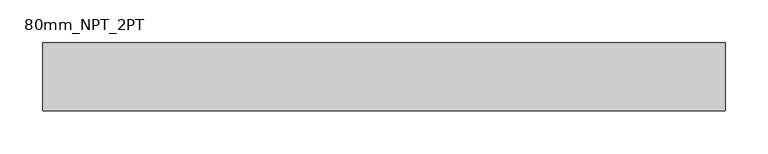
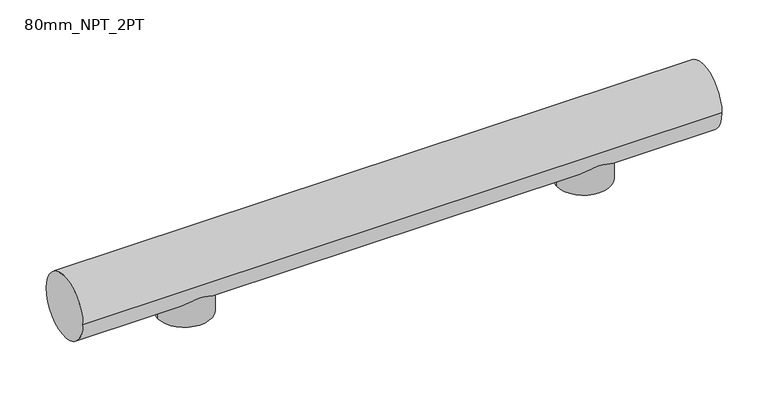
"""IFC4 building model written with IfcOpenShell, lengths in millimetres: proxy geometry, 80mm_NPT_2PT."""

from ifc_helpers import new_model, si_unit, point, frame, frame_2d, origin, place, context, project, spatial, circle_curve, trimmed, segment, composite_curve, outline, extrude, source, transform, mapped, element, save


def proxy_80mm_npt_2pt_930632a8(model_context):
    return source(origin(), model_context, "Body", "SweptSolid", [
        extrude(outline(composite_curve([segment(trimmed(circle_curve(frame_2d((250.0, 0.0)), 33.5), [point((216.5, 0.0))], [point((283.5, 0.0))], False, "CARTESIAN"), True, "CONTINUOUS"), segment(trimmed(circle_curve(frame_2d((250.0, 0.0)), 33.5), [point((283.5, 0.0))], [point((216.5, 0.0))], False, "CARTESIAN"), True, "CONTINUOUS")], self_intersect=False)), frame((0.0, 0.0, -17.10201), z_axis=(0.0, 0.0, 1.0), x_axis=(1.0, 0.0, 0.0)), (0.0, 0.0, 1.0), 67.4327816),
        extrude(outline(composite_curve([segment(trimmed(circle_curve(frame_2d((-250.0, 0.0)), 33.5), [point((-283.5, 0.0))], [point((-216.5, 0.0))], False, "CARTESIAN"), True, "CONTINUOUS"), segment(trimmed(circle_curve(frame_2d((-250.0, 0.0)), 33.5), [point((-216.5, 0.0))], [point((-283.5, 0.0))], False, "CARTESIAN"), True, "CONTINUOUS")], self_intersect=False)), frame((0.0, 0.0, -17.10201), z_axis=(0.0, 0.0, 1.0), x_axis=(1.0, 0.0, 0.0)), (0.0, 0.0, 1.0), 67.4327816),
        extrude(outline(composite_curve([segment(trimmed(circle_curve(frame_2d((0.0, 40.0)), 40.0), [point((-40.0, 40.0))], [point((40.0, 40.0))], False, "CARTESIAN"), True, "CONTINUOUS"), segment(trimmed(circle_curve(frame_2d((0.0, 40.0)), 40.0), [point((40.0, 40.0))], [point((-40.0, 40.0))], False, "CARTESIAN"), True, "CONTINUOUS")], self_intersect=False)), frame((-400.0, 0.0, 0.0), z_axis=(1.0, 0.0, 0.0), x_axis=(0.0, 1.0, 0.0)), (0.0, 0.0, 1.0), 800.0),
    ])


if __name__ == "__main__":
    model = new_model("IFC4")
    model_context = context("Model", 3, world=origin())
    ifc_project = project(units=[si_unit("LENGTHUNIT", "METRE", prefix="MILLI")], contexts=[model_context])
    site = spatial("IfcSite", under=ifc_project)
    building = spatial("IfcBuilding", under=site)
    placement = place(None, origin())
    proxy_80mm_npt_2pt_shape = proxy_80mm_npt_2pt_930632a8(model_context)
    element("IfcBuildingElementProxy", 1, Name="80mm_NPT_2PT", ObjectType="80mm_NPT_2PT", at=placement, inside=building, context=model_context, shape_type="MappedRepresentation", body=[
        mapped(proxy_80mm_npt_2pt_shape, transform((0.0, 0.0, 0.0), x_axis=(1.0, 0.0, 0.0), y_axis=(0.0, 1.0, 0.0), z_axis=(0.0, 0.0, 1.0))),
    ])
    save(model, "model.ifc")
